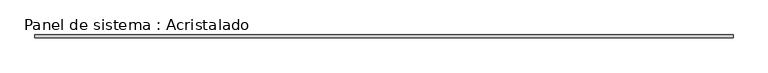
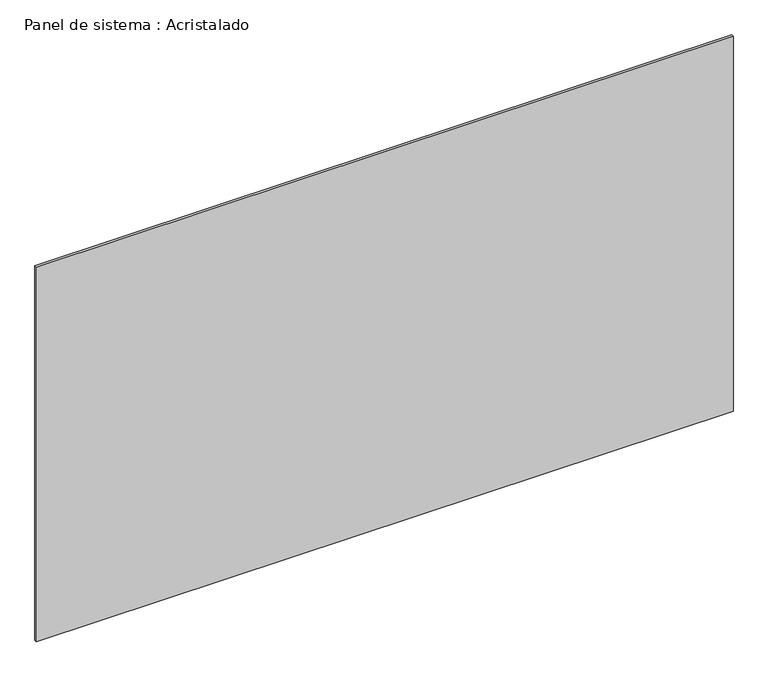
"""IFC4 building model written with IfcOpenShell, lengths in millimetres: plate geometry, Panel de sistema : Acristalado."""

import ifcopenshell
import ifcopenshell.guid

model = None  # the IFC model being written
_history = None  # IfcOwnerHistory: only IFC2X3 demands one
_inside = {}  # id of a spatial element -> (the spatial element, [elements in it])
_under = {}  # id of a project, library or spatial element -> (it, [spatial elements below it])
_declared = {}  # id of a project -> (the project, [libraries it declares])
_typed = {}  # id of a type object -> (the type object, [elements of that type])
_made_of = {}  # id of a material, layer set ... -> (it, [elements and type objects made of it])


def new_model(schema):
    """Start an empty IFC model of exactly this schema.

    Asked for "IFC4X3", IfcOpenShell would pick the latest addendum, in which some entities
    have other attributes; the version numbers below select the first issue.
    IFC2X3 requires an IfcOwnerHistory on every rooted entity: one is made here for all.
    """
    global model, _history
    if schema == "IFC4X3":
        model = ifcopenshell.file(schema_version=(4, 3, 0, 0))
    else:
        model = ifcopenshell.file(schema=schema)
    _inside.clear()
    _under.clear()
    _declared.clear()
    _typed.clear()
    _made_of.clear()
    _history = None
    if model.schema == "IFC2X3":
        org = make("IfcOrganization", Name="unknown")
        user = make(
            "IfcPersonAndOrganization",
            ThePerson=make("IfcPerson", FamilyName="unknown"),
            TheOrganization=org,
        )
        app = make(
            "IfcApplication",
            ApplicationDeveloper=org,
            Version="unknown",
            ApplicationFullName="unknown",
            ApplicationIdentifier="unknown",
        )
        _history = make(
            "IfcOwnerHistory",
            OwningUser=user,
            OwningApplication=app,
            ChangeAction="ADDED",
            CreationDate=0,
        )
    return model


def make(cls, **values):
    """One entity of the class cls with the attributes given. An attribute that is None is left unset."""
    return model.create_entity(
        cls, **{name: value for name, value in values.items() if value is not None}
    )


def rooted(cls, **values):
    """An entity with a GlobalId (a new one), such as an element, a storey or a relation."""
    return make(cls, GlobalId=ifcopenshell.guid.new(), OwnerHistory=_history, **values)


def si_unit(unit_type, name, prefix=None):
    """IfcSIUnit, for example si_unit("LENGTHUNIT", "METRE", prefix="MILLI")."""
    return make("IfcSIUnit", UnitType=unit_type, Prefix=prefix, Name=name)


def assignment(units):
    """IfcUnitAssignment: the units of a project."""
    return None if units is None else make("IfcUnitAssignment", Units=units)


def point(xyz):
    """IfcCartesianPoint."""
    return None if xyz is None else make("IfcCartesianPoint", Coordinates=xyz)


def direction(xyz):
    """IfcDirection."""
    return None if xyz is None else make("IfcDirection", DirectionRatios=xyz)


def frame(location, z_axis=None, x_axis=None):
    """IfcAxis2Placement3D, a coordinate frame: its origin and axes. An axis left out is left unset."""
    return make(
        "IfcAxis2Placement3D",
        Location=point(location),
        Axis=direction(z_axis),
        RefDirection=direction(x_axis),
    )


def origin():
    """The frame at (0, 0, 0) with its axes left unset."""
    return frame((0.0, 0.0, 0.0))


def origin_with_axes():
    """The frame at (0, 0, 0) with the z axis (0, 0, 1) and the x axis (1, 0, 0) written out."""
    return frame((0.0, 0.0, 0.0), z_axis=(0.0, 0.0, 1.0), x_axis=(1.0, 0.0, 0.0))


def place(relative_to, where):
    """IfcLocalPlacement: puts the frame where relative to a parent placement (None: the world)."""
    return make(
        "IfcLocalPlacement", PlacementRelTo=relative_to, RelativePlacement=where
    )


def context(
    kind, dimensions, precision=None, world=None, true_north=None, identifier=None
):
    """IfcGeometricRepresentationContext, for example the 3D "Model" context."""
    return make(
        "IfcGeometricRepresentationContext",
        ContextIdentifier=identifier,
        ContextType=kind,
        CoordinateSpaceDimension=dimensions,
        Precision=precision,
        WorldCoordinateSystem=world,
        TrueNorth=true_north,
    )


def project(units=None, contexts=None):
    """IfcProject with its units and contexts."""
    return rooted(
        "IfcProject",
        Name="project",
        RepresentationContexts=contexts,
        UnitsInContext=assignment(units),
    )


def spatial(cls, under=None, at=None, **own):
    """A site, building, storey or space (cls), placed at a placement, below another one or the project."""
    s = rooted(cls, ObjectPlacement=at, **own)
    if under is not None:
        _under.setdefault(under.id(), (under, []))[1].append(s)
    return s


def polyline(points):
    """IfcPolyline through the points."""
    return make("IfcPolyline", Points=[point(p) for p in points])


def outline(outer, holes=None, kind="AREA"):
    """IfcArbitraryClosedProfileDef: a profile drawn as a closed curve; with holes, ...WithVoids."""
    if holes is None:
        return make("IfcArbitraryClosedProfileDef", ProfileType=kind, OuterCurve=outer)
    return make(
        "IfcArbitraryProfileDefWithVoids",
        ProfileType=kind,
        OuterCurve=outer,
        InnerCurves=holes,
    )


def extrude(swept, where, along, depth):
    """IfcExtrudedAreaSolid: the profile swept, set in the frame where, extruded along a direction by depth."""
    return make(
        "IfcExtrudedAreaSolid",
        SweptArea=swept,
        Position=where,
        ExtrudedDirection=direction(along),
        Depth=depth,
    )


def shape(context_of_items, identifier, shape_type, items):
    """IfcShapeRepresentation: the items that make up one representation, for example the "Body"."""
    return make(
        "IfcShapeRepresentation",
        ContextOfItems=context_of_items,
        RepresentationIdentifier=identifier,
        RepresentationType=shape_type,
        Items=items,
    )


def source(mapping_origin, context_of_items, identifier, shape_type, items):
    """IfcRepresentationMap: a shape defined once, which mapped items show again and again."""
    return make(
        "IfcRepresentationMap",
        MappingOrigin=mapping_origin,
        MappedRepresentation=shape(context_of_items, identifier, shape_type, items),
    )


def transform(
    local_origin,
    x_axis=None,
    y_axis=None,
    z_axis=None,
    scale=None,
    scale2=None,
    scale3=None,
    uniform=True,
):
    """IfcCartesianTransformationOperator3D, or its non-uniform kind. x_axis, y_axis, z_axis: its Axis1, 2, 3."""
    if uniform:
        return make(
            "IfcCartesianTransformationOperator3D",
            Axis1=direction(x_axis),
            Axis2=direction(y_axis),
            LocalOrigin=point(local_origin),
            Scale=scale,
            Axis3=direction(z_axis),
        )
    return make(
        "IfcCartesianTransformationOperator3DnonUniform",
        Axis1=direction(x_axis),
        Axis2=direction(y_axis),
        LocalOrigin=point(local_origin),
        Scale=scale,
        Axis3=direction(z_axis),
        Scale2=scale2,
        Scale3=scale3,
    )


def mapped(mapping_source, mapping_target):
    """IfcMappedItem: shows the shape of a source again, moved by a transform."""
    return make(
        "IfcMappedItem", MappingSource=mapping_source, MappingTarget=mapping_target
    )


def made_of(thing, what):
    """Note that an element or type object is made of a material, layer set ...; save() writes the relation."""
    if what is not None:
        _made_of.setdefault(what.id(), (what, []))[1].append(thing)
    return thing


def element(
    cls,
    number,
    at=None,
    inside=None,
    cuts=None,
    type_object=None,
    material=None,
    context=None,
    identifier="Body",
    shape_type=None,
    held_by="IfcProductDefinitionShape",
    body=None,
    shapes=None,
    **own,
):
    """One element of the class cls, such as IfcWall. Its Tag is "e" and its number.

    at: its placement. inside: the storey or other place that contains it. cuts: it is an
    opening in that element (IfcRelVoidsElement). A single representation is given by context,
    identifier, shape_type and body (its items); several are given by shapes. held_by: the class
    of the entity that holds the representations. save() writes the other relations.
    """
    e = rooted(cls, Tag="e%d" % number, ObjectPlacement=at, **own)
    if body is not None:
        shapes = [shape(context, identifier, shape_type, body)]
    if shapes is not None:
        e.Representation = make(held_by, Representations=shapes)
    if inside is not None:
        _inside.setdefault(inside.id(), (inside, []))[1].append(e)
    if cuts is not None:
        rooted(
            "IfcRelVoidsElement", RelatingBuildingElement=cuts, RelatedOpeningElement=e
        )
    if type_object is not None:
        _typed.setdefault(type_object.id(), (type_object, []))[1].append(e)
    return made_of(e, material)


def aggregate(whole, parts):
    """IfcRelAggregates: a whole, such as a stair, and the parts it consists of."""
    return rooted("IfcRelAggregates", RelatingObject=whole, RelatedObjects=parts)


def save(model, path):
    """Write the relations noted so far, then the file.

    IfcRelAggregates (storeys below a building ...), IfcRelContainedInSpatialStructure (elements
    in a storey), IfcRelDefinesByType, IfcRelAssociatesMaterial and IfcRelDeclares: one each for
    every whole, place, type object, material and project.
    """
    for whole, parts in _under.values():
        aggregate(whole, parts)
    for where, things in _inside.values():
        rooted(
            "IfcRelContainedInSpatialStructure",
            RelatedElements=things,
            RelatingStructure=where,
        )
    for kind, things in _typed.values():
        rooted("IfcRelDefinesByType", RelatedObjects=things, RelatingType=kind)
    for what, things in _made_of.values():
        rooted("IfcRelAssociatesMaterial", RelatedObjects=things, RelatingMaterial=what)
    for by, libraries in _declared.values():
        rooted("IfcRelDeclares", RelatingContext=by, RelatedDefinitions=libraries)
    model.write(path)


def panel_de_sistema_acristalado_c988d56c(model_context):
    return source(origin(), model_context, "Body", "SweptSolid", [
        extrude(outline(polyline([(2603.1631022, -10.0), (-2603.1631022, -10.0), (-2603.1631022, 10.0), (2603.1631022, 10.0), (2603.1631022, -10.0)])), origin_with_axes(), (0.0, 0.0, 1.0), 2960.0),
    ])


if __name__ == "__main__":
    model = new_model("IFC4")
    model_context = context("Model", 3, world=origin())
    ifc_project = project(units=[si_unit("LENGTHUNIT", "METRE", prefix="MILLI")], contexts=[model_context])
    site = spatial("IfcSite", under=ifc_project)
    building = spatial("IfcBuilding", under=site)
    placement = place(None, origin())
    panel_de_sistema_acristalado_shape = panel_de_sistema_acristalado_c988d56c(model_context)
    element("IfcPlate", 1, ObjectType="Panel de sistema : Acristalado", at=placement, inside=building, context=model_context, shape_type="MappedRepresentation", body=[
        mapped(panel_de_sistema_acristalado_shape, transform((0.0, 0.0, 0.0), x_axis=(1.0, 0.0, 0.0), y_axis=(0.0, 1.0, 0.0), z_axis=(0.0, 0.0, 1.0))),
    ])
    save(model, "model.ifc")
